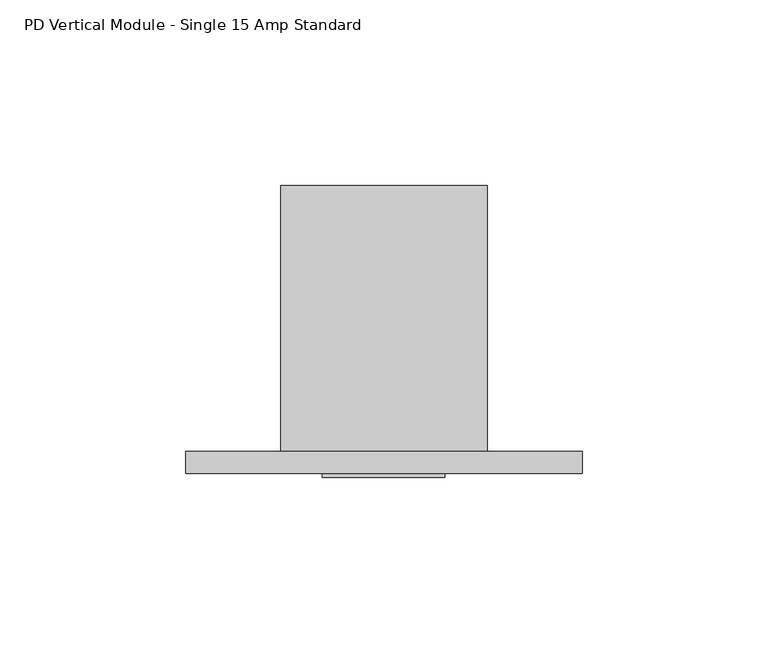
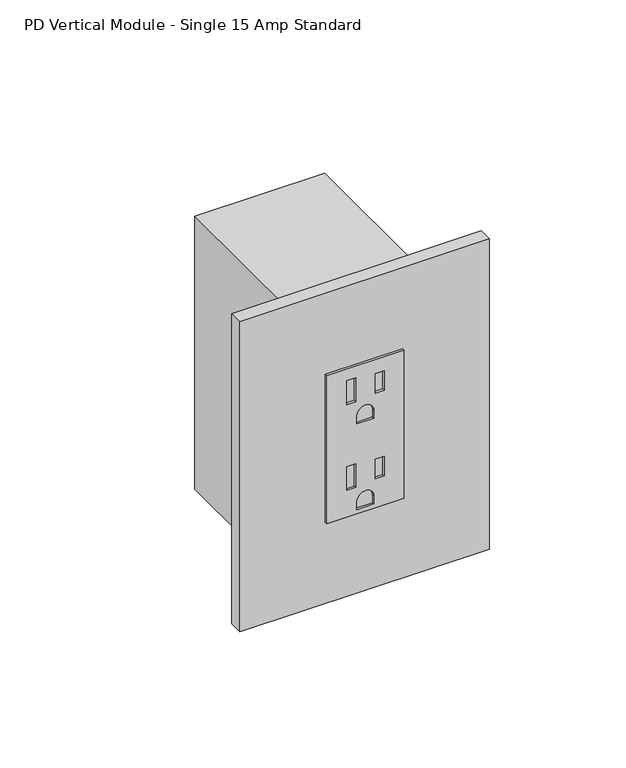
"""IFC4 building model written with IfcOpenShell, lengths in millimetres: proxy geometry, PD Vertical Module - Single 15 Amp Standard."""

import ifcopenshell
import ifcopenshell.guid

model = None  # the IFC model being written
_history = None  # IfcOwnerHistory: only IFC2X3 demands one
_inside = {}  # id of a spatial element -> (the spatial element, [elements in it])
_under = {}  # id of a project, library or spatial element -> (it, [spatial elements below it])
_declared = {}  # id of a project -> (the project, [libraries it declares])
_typed = {}  # id of a type object -> (the type object, [elements of that type])
_made_of = {}  # id of a material, layer set ... -> (it, [elements and type objects made of it])


def new_model(schema):
    """Start an empty IFC model of exactly this schema.

    Asked for "IFC4X3", IfcOpenShell would pick the latest addendum, in which some entities
    have other attributes; the version numbers below select the first issue.
    IFC2X3 requires an IfcOwnerHistory on every rooted entity: one is made here for all.
    """
    global model, _history
    if schema == "IFC4X3":
        model = ifcopenshell.file(schema_version=(4, 3, 0, 0))
    else:
        model = ifcopenshell.file(schema=schema)
    _inside.clear()
    _under.clear()
    _declared.clear()
    _typed.clear()
    _made_of.clear()
    _history = None
    if model.schema == "IFC2X3":
        org = make("IfcOrganization", Name="unknown")
        user = make(
            "IfcPersonAndOrganization",
            ThePerson=make("IfcPerson", FamilyName="unknown"),
            TheOrganization=org,
        )
        app = make(
            "IfcApplication",
            ApplicationDeveloper=org,
            Version="unknown",
            ApplicationFullName="unknown",
            ApplicationIdentifier="unknown",
        )
        _history = make(
            "IfcOwnerHistory",
            OwningUser=user,
            OwningApplication=app,
            ChangeAction="ADDED",
            CreationDate=0,
        )
    return model


def make(cls, **values):
    """One entity of the class cls with the attributes given. An attribute that is None is left unset."""
    return model.create_entity(
        cls, **{name: value for name, value in values.items() if value is not None}
    )


def rooted(cls, **values):
    """An entity with a GlobalId (a new one), such as an element, a storey or a relation."""
    return make(cls, GlobalId=ifcopenshell.guid.new(), OwnerHistory=_history, **values)


def si_unit(unit_type, name, prefix=None):
    """IfcSIUnit, for example si_unit("LENGTHUNIT", "METRE", prefix="MILLI")."""
    return make("IfcSIUnit", UnitType=unit_type, Prefix=prefix, Name=name)


def assignment(units):
    """IfcUnitAssignment: the units of a project."""
    return None if units is None else make("IfcUnitAssignment", Units=units)


def point(xyz):
    """IfcCartesianPoint."""
    return None if xyz is None else make("IfcCartesianPoint", Coordinates=xyz)


def direction(xyz):
    """IfcDirection."""
    return None if xyz is None else make("IfcDirection", DirectionRatios=xyz)


def frame(location, z_axis=None, x_axis=None):
    """IfcAxis2Placement3D, a coordinate frame: its origin and axes. An axis left out is left unset."""
    return make(
        "IfcAxis2Placement3D",
        Location=point(location),
        Axis=direction(z_axis),
        RefDirection=direction(x_axis),
    )


def frame_2d(location, x_axis=None):
    """IfcAxis2Placement2D, a coordinate frame in the plane: its origin and x axis."""
    return make(
        "IfcAxis2Placement2D", Location=point(location), RefDirection=direction(x_axis)
    )


def origin():
    """The frame at (0, 0, 0) with its axes left unset."""
    return frame((0.0, 0.0, 0.0))


def place(relative_to, where):
    """IfcLocalPlacement: puts the frame where relative to a parent placement (None: the world)."""
    return make(
        "IfcLocalPlacement", PlacementRelTo=relative_to, RelativePlacement=where
    )


def context(
    kind, dimensions, precision=None, world=None, true_north=None, identifier=None
):
    """IfcGeometricRepresentationContext, for example the 3D "Model" context."""
    return make(
        "IfcGeometricRepresentationContext",
        ContextIdentifier=identifier,
        ContextType=kind,
        CoordinateSpaceDimension=dimensions,
        Precision=precision,
        WorldCoordinateSystem=world,
        TrueNorth=true_north,
    )


def project(units=None, contexts=None):
    """IfcProject with its units and contexts."""
    return rooted(
        "IfcProject",
        Name="project",
        RepresentationContexts=contexts,
        UnitsInContext=assignment(units),
    )


def spatial(cls, under=None, at=None, **own):
    """A site, building, storey or space (cls), placed at a placement, below another one or the project."""
    s = rooted(cls, ObjectPlacement=at, **own)
    if under is not None:
        _under.setdefault(under.id(), (under, []))[1].append(s)
    return s


def polyline(points):
    """IfcPolyline through the points."""
    return make("IfcPolyline", Points=[point(p) for p in points])


def circle_curve(where, radius):
    """IfcCircle in the frame where."""
    return make("IfcCircle", Position=where, Radius=radius)


def trimmed(basis, trim1, trim2, sense, master):
    """IfcTrimmedCurve: the piece of a basis curve between two trims."""
    return make(
        "IfcTrimmedCurve",
        BasisCurve=basis,
        Trim1=trim1,
        Trim2=trim2,
        SenseAgreement=sense,
        MasterRepresentation=master,
    )


def segment(curve, same_sense, transition):
    """IfcCompositeCurveSegment."""
    return make(
        "IfcCompositeCurveSegment",
        Transition=transition,
        SameSense=same_sense,
        ParentCurve=curve,
    )


def composite_curve(segments, self_intersect=None):
    """IfcCompositeCurve: segments joined end to end."""
    return make("IfcCompositeCurve", Segments=segments, SelfIntersect=self_intersect)


def outline(outer, holes=None, kind="AREA"):
    """IfcArbitraryClosedProfileDef: a profile drawn as a closed curve; with holes, ...WithVoids."""
    if holes is None:
        return make("IfcArbitraryClosedProfileDef", ProfileType=kind, OuterCurve=outer)
    return make(
        "IfcArbitraryProfileDefWithVoids",
        ProfileType=kind,
        OuterCurve=outer,
        InnerCurves=holes,
    )


def extrude(swept, where, along, depth):
    """IfcExtrudedAreaSolid: the profile swept, set in the frame where, extruded along a direction by depth."""
    return make(
        "IfcExtrudedAreaSolid",
        SweptArea=swept,
        Position=where,
        ExtrudedDirection=direction(along),
        Depth=depth,
    )


def shape(context_of_items, identifier, shape_type, items):
    """IfcShapeRepresentation: the items that make up one representation, for example the "Body"."""
    return make(
        "IfcShapeRepresentation",
        ContextOfItems=context_of_items,
        RepresentationIdentifier=identifier,
        RepresentationType=shape_type,
        Items=items,
    )


def source(mapping_origin, context_of_items, identifier, shape_type, items):
    """IfcRepresentationMap: a shape defined once, which mapped items show again and again."""
    return make(
        "IfcRepresentationMap",
        MappingOrigin=mapping_origin,
        MappedRepresentation=shape(context_of_items, identifier, shape_type, items),
    )


def transform(
    local_origin,
    x_axis=None,
    y_axis=None,
    z_axis=None,
    scale=None,
    scale2=None,
    scale3=None,
    uniform=True,
):
    """IfcCartesianTransformationOperator3D, or its non-uniform kind. x_axis, y_axis, z_axis: its Axis1, 2, 3."""
    if uniform:
        return make(
            "IfcCartesianTransformationOperator3D",
            Axis1=direction(x_axis),
            Axis2=direction(y_axis),
            LocalOrigin=point(local_origin),
            Scale=scale,
            Axis3=direction(z_axis),
        )
    return make(
        "IfcCartesianTransformationOperator3DnonUniform",
        Axis1=direction(x_axis),
        Axis2=direction(y_axis),
        LocalOrigin=point(local_origin),
        Scale=scale,
        Axis3=direction(z_axis),
        Scale2=scale2,
        Scale3=scale3,
    )


def mapped(mapping_source, mapping_target):
    """IfcMappedItem: shows the shape of a source again, moved by a transform."""
    return make(
        "IfcMappedItem", MappingSource=mapping_source, MappingTarget=mapping_target
    )


def made_of(thing, what):
    """Note that an element or type object is made of a material, layer set ...; save() writes the relation."""
    if what is not None:
        _made_of.setdefault(what.id(), (what, []))[1].append(thing)
    return thing


def element(
    cls,
    number,
    at=None,
    inside=None,
    cuts=None,
    type_object=None,
    material=None,
    context=None,
    identifier="Body",
    shape_type=None,
    held_by="IfcProductDefinitionShape",
    body=None,
    shapes=None,
    **own,
):
    """One element of the class cls, such as IfcWall. Its Tag is "e" and its number.

    at: its placement. inside: the storey or other place that contains it. cuts: it is an
    opening in that element (IfcRelVoidsElement). A single representation is given by context,
    identifier, shape_type and body (its items); several are given by shapes. held_by: the class
    of the entity that holds the representations. save() writes the other relations.
    """
    e = rooted(cls, Tag="e%d" % number, ObjectPlacement=at, **own)
    if body is not None:
        shapes = [shape(context, identifier, shape_type, body)]
    if shapes is not None:
        e.Representation = make(held_by, Representations=shapes)
    if inside is not None:
        _inside.setdefault(inside.id(), (inside, []))[1].append(e)
    if cuts is not None:
        rooted(
            "IfcRelVoidsElement", RelatingBuildingElement=cuts, RelatedOpeningElement=e
        )
    if type_object is not None:
        _typed.setdefault(type_object.id(), (type_object, []))[1].append(e)
    return made_of(e, material)


def aggregate(whole, parts):
    """IfcRelAggregates: a whole, such as a stair, and the parts it consists of."""
    return rooted("IfcRelAggregates", RelatingObject=whole, RelatedObjects=parts)


def save(model, path):
    """Write the relations noted so far, then the file.

    IfcRelAggregates (storeys below a building ...), IfcRelContainedInSpatialStructure (elements
    in a storey), IfcRelDefinesByType, IfcRelAssociatesMaterial and IfcRelDeclares: one each for
    every whole, place, type object, material and project.
    """
    for whole, parts in _under.values():
        aggregate(whole, parts)
    for where, things in _inside.values():
        rooted(
            "IfcRelContainedInSpatialStructure",
            RelatedElements=things,
            RelatingStructure=where,
        )
    for kind, things in _typed.values():
        rooted("IfcRelDefinesByType", RelatedObjects=things, RelatingType=kind)
    for what, things in _made_of.values():
        rooted("IfcRelAssociatesMaterial", RelatedObjects=things, RelatingMaterial=what)
    for by, libraries in _declared.values():
        rooted("IfcRelDeclares", RelatingContext=by, RelatedDefinitions=libraries)
    model.write(path)


def pd_vertical_module_single_15_amp_standard_42925ea9(model_context):
    return source(origin(), model_context, "Body", "SweptSolid", [
        extrude(outline(polyline([(414.4772, 44.0944), (414.4772, 11.0998), (347.5228, 11.0998), (347.5228, 44.0944), (414.4772, 44.0944)]), holes=[polyline([(409.0924, 23.4442), (398.272, 23.4442), (398.272, 19.6088), (409.0924, 19.6088), (409.0924, 23.4442)]), polyline([(408.1145, 35.6108), (399.2499, 35.6108), (399.2499, 31.7754), (408.1145, 31.7754), (408.1145, 35.6108)]), composite_curve([segment(polyline([(388.0866, 31.2293), (388.0866, 23.9649), (391.7188, 23.9649)]), True, "CONTINUOUS"), segment(trimmed(circle_curve(frame_2d((391.7188, 27.5971)), 3.6322), [point((391.7188, 23.9649))], [point((391.7188, 31.2293))], True, "CARTESIAN"), True, "CONTINUOUS"), segment(polyline([(391.7188, 31.2293), (388.0866, 31.2293)]), True, "CONTINUOUS")], self_intersect=False), polyline([(370.3574, 23.4442), (359.537, 23.4442), (359.537, 19.6088), (370.3574, 19.6088), (370.3574, 23.4442)]), polyline([(369.3795, 35.6108), (360.5149, 35.6108), (360.5149, 31.7754), (369.3795, 31.7754), (369.3795, 35.6108)]), composite_curve([segment(polyline([(349.3516, 31.2293), (349.3516, 23.9649), (352.9838, 23.9649)]), True, "CONTINUOUS"), segment(trimmed(circle_curve(frame_2d((352.9838, 27.5971)), 3.6322), [point((352.9838, 23.9649))], [point((352.9838, 31.2293))], True, "CARTESIAN"), True, "CONTINUOUS"), segment(polyline([(352.9838, 31.2293), (349.3516, 31.2293)]), True, "CONTINUOUS")], self_intersect=False)]), frame((0.0, -6.9294746, 0.0), z_axis=(0.0, 1.0, 0.0), x_axis=(0.0, 0.0, 1.0)), (0.0, 0.0, 1.0), 1.0366746),
        extrude(outline(polyline([(-25.6794, 0.0), (81.2292, 0.0), (81.2292, -5.8928), (-25.6794, -5.8928), (-25.6794, 0.0)])), frame((0.0, 0.0, 310.8198), z_axis=(0.0, 0.0, 1.0), x_axis=(1.0, 0.0, 0.0)), (0.0, 0.0, 1.0), 140.3604),
        extrude(outline(polyline([(55.5498, 0.0), (0.0, 0.0), (0.0, 71.7296), (55.5498, 71.7296), (55.5498, 0.0)])), frame((0.0, 0.0, 319.2526), z_axis=(0.0, 0.0, 1.0), x_axis=(1.0, 0.0, 0.0)), (0.0, 0.0, 1.0), 123.4948),
    ])


if __name__ == "__main__":
    model = new_model("IFC4")
    model_context = context("Model", 3, world=origin())
    ifc_project = project(units=[si_unit("LENGTHUNIT", "METRE", prefix="MILLI")], contexts=[model_context])
    site = spatial("IfcSite", under=ifc_project)
    building = spatial("IfcBuilding", under=site)
    placement = place(None, origin())
    pd_vertical_module_single_15_amp_standard_shape = pd_vertical_module_single_15_amp_standard_42925ea9(model_context)
    element("IfcBuildingElementProxy", 1, Name="PD Vertical Module - Single 15 Amp Standard", ObjectType="PD Vertical Module - Single 15 Amp Standard", at=placement, inside=building, context=model_context, shape_type="MappedRepresentation", body=[
        mapped(pd_vertical_module_single_15_amp_standard_shape, transform((0.0, 0.0, 0.0), x_axis=(1.0, 0.0, 0.0), y_axis=(0.0, 1.0, 0.0), z_axis=(0.0, 0.0, 1.0))),
    ])
    save(model, "model.ifc")
